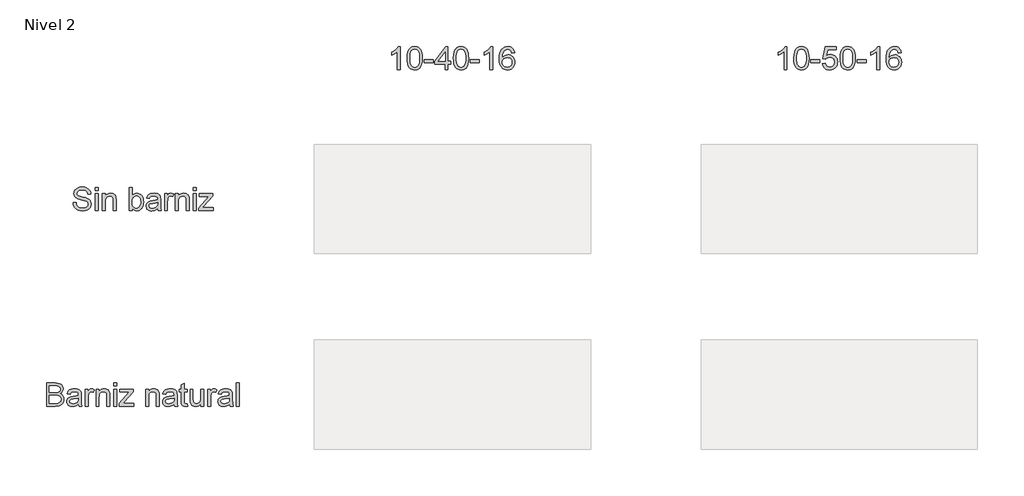
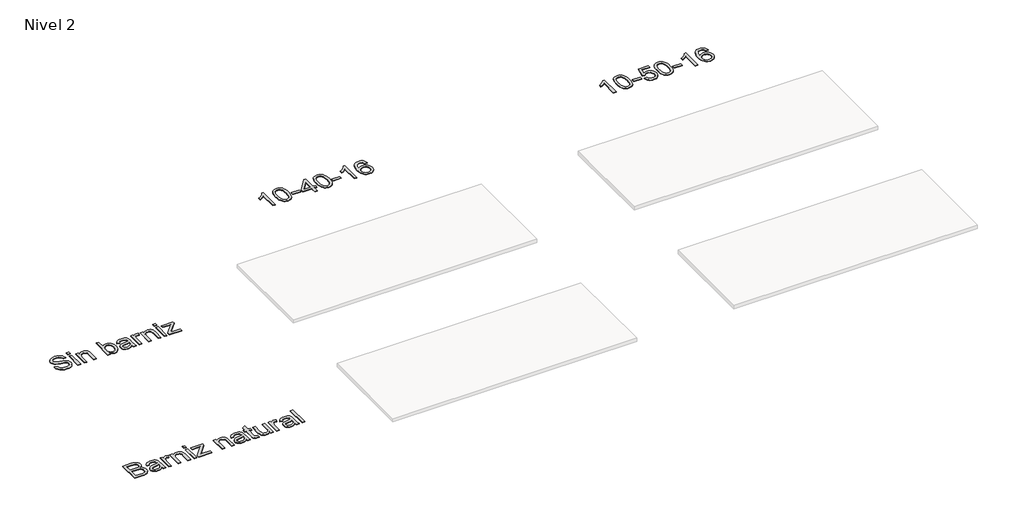
# One storey, part 48 of 51: 4 proxies.
"""IFC4 building model written with IfcOpenShell, lengths in millimetres."""

from ifc_helpers import new_model, si_unit, frame, origin, place, context, project, spatial, polyline, outline, extrude, element, save

model = new_model("IFC4")

# Units and contexts
model_context = context("Model", 3, world=origin())
ifc_project = project(units=[si_unit("LENGTHUNIT", "METRE", prefix="MILLI")], contexts=[model_context])

# Site, building, storey
site = spatial("IfcSite", under=ifc_project)
building = spatial("IfcBuilding", under=site)
storey = spatial("IfcBuildingStorey", under=building, Name="Nivel 2", Elevation=3000.0)

# Proxies
placement = place(None, origin())
element("IfcBuildingElementProxy", 1, Name="Texto de modelo 1", ObjectType="Texto de modelo 1", at=placement, inside=storey, context=model_context, shape_type="SweptSolid", body=[
    extrude(outline(polyline([(-14286.3795874, 4307.3448912), (-14236.1514323, 4307.3448912), (-14230.3879477, 4279.4716987), (-14219.9646245, 4257.0676852), (-14203.7042403, 4239.2867221), (-14180.4295728, 4225.2826808), (-14151.9800318, 4216.1959955), (-14120.1950274, 4213.1671005), (-14092.2114703, 4215.4602316), (-14067.7105294, 4222.3396249), (-14047.8571644, 4233.2289319), (-14033.8163349, 4247.5518043), (-14025.4654137, 4263.9961295), (-14022.6817732, 4281.249795), (-14024.7664379, 4298.0620022), (-14031.0204318, 4312.593341), (-14043.7246233, 4324.9909643), (-14065.1598809, 4335.4020247), (-14138.2948216, 4354.5809394), (-14186.3034219, 4367.2728682), (-14217.0215685, 4379.3516604), (-14242.0252815, 4396.2497067), (-14259.7449309, 4416.7284711), (-14270.3031442, 4440.3464952), (-14273.8225486, 4466.6623206), (-14269.4692783, 4496.0806175), (-14256.4094675, 4523.5123516), (-14234.9864726, 4546.7624937), (-14205.5436503, 4563.6360145), (-14170.2024533, 4573.8999222), (-14131.0843345, 4577.3212247), (-14088.7043286, 4573.7405067), (-14051.6218235, 4562.9983524), (-14021.1611943, 4545.3154912), (-13998.6468162, 4520.9126522), (-13984.3975203, 4491.3104143), (-13978.7321375, 4458.0293564), (-14028.9602926, 4458.0293564), (-14038.181868, 4487.9994763), (-14046.545052, 4499.8575393), (-14057.4098336, 4509.6309376), (-14087.4535298, 4522.7275367), (-14129.1222972, 4527.0930697), (-14171.7720831, 4522.7765876), (-14188.0753869, 4517.380985), (-14201.0309645, 4509.8271414), (-14217.9535363, 4490.770854), (-14223.5943935, 4468.1338486), (-14219.5967425, 4448.8323066), (-14207.6037895, 4433.3076864), (-14179.2523504, 4419.4262724), (-14125.59063, 4405.2505529), (-14070.212127, 4391.7860718), (-14036.71034, 4380.0383735), (-14008.076858, 4361.815952), (-13988.1008657, 4339.3260993), (-13976.36543, 4312.8140702), (-13972.4536181, 4282.5251193), (-13976.9540412, 4251.561718), (-13990.4553104, 4222.4377267), (-14012.4056028, 4197.3727001), (-14042.2530954, 4178.5861929), (-14078.1461154, 4166.8507573), (-14118.2329901, 4162.9389454), (-14167.4433383, 4167.1573256), (-14207.947146, 4179.8124662), (-14240.210397, 4200.9534182), (-14264.6990751, 4230.6292325), (-14280.419899, 4266.7797699), (-14286.3795874, 4307.3448912)])), frame((0.0, 0.0, 3000.0), z_axis=(0.0, 0.0, 1.0), x_axis=(1.0, 0.0, 0.0)), (0.0, 0.0, 1.0), 10.0),
    extrude(outline(polyline([(-13903.3899049, 4520.8145503), (-13903.3899049, 4571.0427054), (-13853.1617498, 4571.0427054), (-13853.1617498, 4520.8145503), (-13903.3899049, 4520.8145503)])), frame((0.0, 0.0, 3000.0), z_axis=(0.0, 0.0, 1.0), x_axis=(1.0, 0.0, 0.0)), (0.0, 0.0, 1.0), 10.0),
    extrude(outline(polyline([(-13903.3899049, 4169.2174648), (-13903.3899049, 4464.3078758), (-13853.1617498, 4464.3078758), (-13853.1617498, 4169.2174648), (-13903.3899049, 4169.2174648)])), frame((0.0, 0.0, 3000.0), z_axis=(0.0, 0.0, 1.0), x_axis=(1.0, 0.0, 0.0)), (0.0, 0.0, 1.0), 10.0),
    extrude(outline(polyline([(-13777.8195172, 4169.2174648), (-13777.8195172, 4464.3078758), (-13727.5913622, 4464.3078758), (-13727.5913622, 4423.1050924), (-13710.1414929, 4443.8781624), (-13689.1844819, 4458.7160695), (-13664.7203292, 4467.6188138), (-13636.7490348, 4470.5863952), (-13611.9905765, 4468.1951622), (-13589.3167829, 4461.0214633), (-13570.4076484, 4449.960478), (-13556.9431673, 4435.9073858), (-13547.8074311, 4418.8989749), (-13541.884531, 4398.9720335), (-13539.2357806, 4350.4116101), (-13539.2357806, 4169.2174648), (-13589.4639357, 4169.2174648), (-13589.4639357, 4343.6425814), (-13590.9109382, 4369.6150503), (-13595.2519458, 4388.0827264), (-13603.2595105, 4401.3142155), (-13615.7061847, 4411.5781232), (-13631.6600005, 4418.1632109), (-13650.1889904, 4420.3582401), (-13679.6072873, 4415.4286214), (-13704.6845766, 4400.6397652), (-13714.7062953, 4388.5671044), (-13721.8646658, 4372.0675969), (-13726.1596881, 4351.1412427), (-13727.5913622, 4325.7880419), (-13727.5913622, 4169.2174648), (-13777.8195172, 4169.2174648)])), frame((0.0, 0.0, 3000.0), z_axis=(0.0, 0.0, 1.0), x_axis=(1.0, 0.0, 0.0)), (0.0, 0.0, 1.0), 10.0),
    extrude(outline(polyline([(-13262.9809277, 4169.2174648), (-13313.2090828, 4169.2174648), (-13313.2090828, 4571.0427054), (-13262.9809277, 4571.0427054), (-13262.9809277, 4422.0259718), (-13246.4630261, 4443.2711571), (-13227.811409, 4458.4462894), (-13207.0260762, 4467.5513688), (-13184.107028, 4470.5863952), (-13158.232661, 4467.8518057), (-13133.780771, 4459.6480372), (-13112.1493097, 4446.4901245), (-13094.7362286, 4428.8931024), (-13081.0878066, 4407.0286492), (-13070.7503225, 4381.0684431), (-13064.2388112, 4352.0916046), (-13062.0683074, 4321.1772542), (-13064.3154533, 4285.5049634), (-13071.0568908, 4254.1246292), (-13082.2926201, 4227.0362517), (-13098.0226411, 4204.2398307), (-13116.9041845, 4186.1706934), (-13137.594481, 4173.2641667), (-13160.0935307, 4165.5202507), (-13184.4013335, 4162.9389454), (-13208.0745399, 4166.2682774), (-13229.0622078, 4176.2562736), (-13247.364337, 4192.9029339), (-13262.9809277, 4216.2082583), (-13262.9809277, 4169.2174648)]), holes=[polyline([(-13262.9809277, 4318.8228095), (-13259.5473624, 4276.933313), (-13249.2466666, 4248.5818739), (-13237.0759039, 4233.0879105), (-13222.9308412, 4222.0207938), (-13206.8114784, 4215.3805238), (-13188.7178156, 4213.1671005), (-13173.6959675, 4214.798044), (-13159.7287144, 4219.6908745), (-13146.8160564, 4227.8455921), (-13134.9579934, 4239.2621966), (-13125.0435736, 4253.9100314), (-13117.9618452, 4271.7584396), (-13113.7128082, 4292.807421), (-13112.2964625, 4317.0569759), (-13117.7288533, 4363.0176998), (-13124.5193418, 4380.8109257), (-13134.0260257, 4395.1460607), (-13145.4579587, 4406.1763892), (-13158.0241945, 4414.0551953), (-13171.7247331, 4418.7824789), (-13186.5595746, 4420.3582401), (-13201.5814227, 4418.7272966), (-13215.5486758, 4413.8344661), (-13228.4613338, 4405.6797485), (-13240.3193968, 4394.2631439), (-13250.2338166, 4379.762462), (-13257.315545, 4362.3555122), (-13261.564582, 4342.0422947), (-13262.9809277, 4318.8228095)])]), frame((0.0, 0.0, 3000.0), z_axis=(0.0, 0.0, 1.0), x_axis=(1.0, 0.0, 0.0)), (0.0, 0.0, 1.0), 10.0),
    extrude(outline(polyline([(-12817.2060514, 4206.8885811), (-12841.2042202, 4186.3117148), (-12865.9136276, 4172.8472338), (-12891.8983592, 4165.4160175), (-12919.7225008, 4162.9389454), (-12942.0866604, 4164.4288675), (-12961.6978364, 4168.8986337), (-12978.5560288, 4176.3482441), (-12992.6612377, 4186.7776987), (-13003.7988651, 4199.5248098), (-13011.7543132, 4213.9273899), (-13016.5275821, 4229.985439), (-13018.1186717, 4247.6989571), (-13015.715176, 4268.521078), (-13008.5046889, 4287.4302125), (-12997.3823899, 4303.6170203), (-12983.2434586, 4316.272161), (-12966.6274551, 4325.8370928), (-12948.0739398, 4332.7532744), (-12904.6148135, 4340.307118), (-12853.258487, 4348.2533691), (-12817.500357, 4357.5730463), (-12817.2060514, 4368.7566589), (-12820.6641422, 4391.1729352), (-12831.0384144, 4405.8391641), (-12854.2395056, 4416.7284711), (-12886.5640703, 4420.3582401), (-12916.4851392, 4417.9424817), (-12937.3808365, 4410.6952064), (-12951.6301325, 4397.292039), (-12961.6119973, 4376.4086044), (-13011.8401523, 4382.6871238), (-13003.1213491, 4410.1556461), (-12990.1105892, 4431.7380565), (-12971.5938621, 4448.2436954), (-12946.3571572, 4460.4819031), (-12915.4918578, 4468.0602722), (-12880.0893471, 4470.5863952), (-12846.133839, 4468.3545778), (-12819.2171397, 4461.6591255), (-12798.9223163, 4451.5914215), (-12784.8324359, 4439.2428492), (-12775.4882332, 4423.9757464), (-12769.430443, 4405.152451), (-12766.9778964, 4361.2028153), (-12766.9778964, 4298.7119271), (-12764.4272479, 4211.4503178), (-12754.4208576, 4169.2174648), (-12804.6490127, 4169.2174648), (-12812.6933656, 4186.6795968), (-12817.2060514, 4206.8885811)]), holes=[polyline([(-12817.2060514, 4307.3448912), (-12850.9530931, 4298.9817072), (-12898.2381922, 4291.9428984), (-12941.4520639, 4283.8004435), (-12952.6969903, 4278.2331627), (-12961.0233861, 4270.5566917), (-12966.173734, 4261.3596418), (-12967.8905167, 4251.2306242), (-12964.150383, 4236.2946152), (-12952.9299822, 4224.0564075), (-12934.4745688, 4215.8894272), (-12909.0293974, 4213.1671005), (-12882.0513844, 4216.1714701), (-12858.2126312, 4225.184579), (-12838.8865637, 4238.465119), (-12825.4466081, 4254.271782), (-12819.4869198, 4270.5566917), (-12817.500357, 4293.1201207), (-12817.2060514, 4307.3448912)])]), frame((0.0, 0.0, 3000.0), z_axis=(0.0, 0.0, 1.0), x_axis=(1.0, 0.0, 0.0)), (0.0, 0.0, 1.0), 10.0),
    extrude(outline(polyline([(-12697.9141831, 4169.2174648), (-12697.9141831, 4464.3078758), (-12653.9645474, 4464.3078758), (-12653.9645474, 4420.6525457), (-12637.7286887, 4445.962827), (-12622.7681542, 4460.8743105), (-12607.7585688, 4468.158374), (-12591.3755573, 4470.5863952), (-12566.3595816, 4466.7113715), (-12540.9511985, 4455.0863005), (-12557.7266175, 4410.0575443), (-12575.3849533, 4417.7830662), (-12593.043289, 4420.3582401), (-12608.0406117, 4417.881168), (-12621.4437791, 4410.4499517), (-12632.2717725, 4398.628677), (-12639.5435732, 4382.9814294), (-12645.6504143, 4354.9242959), (-12647.686028, 4324.3165139), (-12647.686028, 4169.2174648), (-12697.9141831, 4169.2174648)])), frame((0.0, 0.0, 3000.0), z_axis=(0.0, 0.0, 1.0), x_axis=(1.0, 0.0, 0.0)), (0.0, 0.0, 1.0), 10.0),
    extrude(outline(polyline([(-12509.5586016, 4169.2174648), (-12509.5586016, 4464.3078758), (-12459.3304465, 4464.3078758), (-12459.3304465, 4423.1050924), (-12441.8805772, 4443.8781624), (-12420.9235662, 4458.7160695), (-12396.4594135, 4467.6188138), (-12368.4881192, 4470.5863952), (-12343.7296609, 4468.1951622), (-12321.0558673, 4461.0214633), (-12302.1467327, 4449.960478), (-12288.6822517, 4435.9073858), (-12279.5465155, 4418.8989749), (-12273.6236154, 4398.9720335), (-12270.974865, 4350.4116101), (-12270.974865, 4169.2174648), (-12321.2030201, 4169.2174648), (-12321.2030201, 4343.6425814), (-12322.6500226, 4369.6150503), (-12326.9910301, 4388.0827264), (-12334.9985949, 4401.3142155), (-12347.4452691, 4411.5781232), (-12363.3990849, 4418.1632109), (-12381.9280747, 4420.3582401), (-12411.3463716, 4415.4286214), (-12436.423661, 4400.6397652), (-12446.4453796, 4388.5671044), (-12453.6037501, 4372.0675969), (-12457.8987724, 4351.1412427), (-12459.3304465, 4325.7880419), (-12459.3304465, 4169.2174648), (-12509.5586016, 4169.2174648)])), frame((0.0, 0.0, 3000.0), z_axis=(0.0, 0.0, 1.0), x_axis=(1.0, 0.0, 0.0)), (0.0, 0.0, 1.0), 10.0),
    extrude(outline(polyline([(-12201.9111518, 4520.8145503), (-12201.9111518, 4571.0427054), (-12151.6829967, 4571.0427054), (-12151.6829967, 4520.8145503), (-12201.9111518, 4520.8145503)])), frame((0.0, 0.0, 3000.0), z_axis=(0.0, 0.0, 1.0), x_axis=(1.0, 0.0, 0.0)), (0.0, 0.0, 1.0), 10.0),
    extrude(outline(polyline([(-12201.9111518, 4169.2174648), (-12201.9111518, 4464.3078758), (-12151.6829967, 4464.3078758), (-12151.6829967, 4169.2174648), (-12201.9111518, 4169.2174648)])), frame((0.0, 0.0, 3000.0), z_axis=(0.0, 0.0, 1.0), x_axis=(1.0, 0.0, 0.0)), (0.0, 0.0, 1.0), 10.0),
    extrude(outline(polyline([(-12107.733361, 4169.2174648), (-12107.733361, 4216.5025639), (-11934.3873649, 4414.0797208), (-11985.6946405, 4414.0797208), (-12095.1763222, 4414.0797208), (-12095.1763222, 4464.3078758), (-11862.871105, 4464.3078758), (-11862.871105, 4421.6335644), (-12016.5967281, 4246.325531), (-12040.1411757, 4219.4456198), (-11982.0648714, 4219.4456198), (-11856.5925856, 4219.4456198), (-11856.5925856, 4169.2174648), (-12107.733361, 4169.2174648)])), frame((0.0, 0.0, 3000.0), z_axis=(0.0, 0.0, 1.0), x_axis=(1.0, 0.0, 0.0)), (0.0, 0.0, 1.0), 10.0),
])
element("IfcBuildingElementProxy", 2, Name="Texto de modelo 1", ObjectType="Texto de modelo 1", at=placement, inside=storey, context=model_context, shape_type="SweptSolid", body=[
    extrude(outline(polyline([(-14747.8507621, 769.2174648), (-14747.8507621, 1171.0427054), (-14594.5175465, 1171.0427054), (-14552.3460071, 1168.0873867), (-14519.4205686, 1159.2214306), (-14494.1838637, 1144.2241079), (-14475.0785254, 1122.8746895), (-14463.0487842, 1097.7606119), (-14459.0388704, 1071.469312), (-14462.4111221, 1047.2749395), (-14472.5278769, 1024.5275694), (-14489.4627114, 1004.6251535), (-14513.289202, 988.9656432), (-14484.8273983, 974.1032106), (-14463.7968109, 951.4907306), (-14450.8105765, 922.6242568), (-14446.4818317, 888.9998424), (-14449.4371504, 860.9794971), (-14458.3031064, 834.9947655), (-14471.5345955, 812.8973203), (-14487.5865133, 796.5388343), (-14507.2436745, 784.693034), (-14531.2908943, 776.1336463), (-14560.5129874, 770.9465101), (-14595.6947689, 769.2174648), (-14747.8507621, 769.2174648)]), holes=[polyline([(-14697.622607, 1007.8012014), (-14605.8973629, 1007.8012014), (-14552.3337444, 1012.1176834), (-14533.5840254, 1019.5611625), (-14520.1072816, 1030.7079869), (-14511.9770895, 1045.3864785), (-14509.2670255, 1063.424959), (-14511.7931485, 1080.936142), (-14519.3715176, 1096.1909821), (-14531.6587763, 1108.098096), (-14548.3115679, 1115.5661005), (-14573.8671039, 1119.5024378), (-14612.8625954, 1120.8145503), (-14697.622607, 1120.8145503), (-14697.622607, 1007.8012014)]), polyline([(-14697.622607, 819.4456198), (-14594.6156484, 819.4456198), (-14557.3369395, 821.4076571), (-14525.7971898, 832.3460151), (-14514.2211697, 841.7760569), (-14504.9014925, 854.6641895), (-14498.7578632, 870.4340644), (-14496.7099867, 888.5093331), (-14499.1134824, 909.5031323), (-14506.3239695, 927.5538755), (-14518.9177965, 941.6682814), (-14537.4713118, 950.8530685), (-14563.750349, 955.8930518), (-14599.5207417, 957.5730463), (-14697.622607, 957.5730463), (-14697.622607, 819.4456198)])]), frame((0.0, 0.0, 3000.0), z_axis=(0.0, 0.0, 1.0), x_axis=(1.0, 0.0, 0.0)), (0.0, 0.0, 1.0), 10.0),
    extrude(outline(polyline([(-14195.3410563, 806.8885811), (-14219.3392251, 786.3117148), (-14244.0486325, 772.8472338), (-14270.033364, 765.4160175), (-14297.8575056, 762.9389454), (-14320.2216652, 764.4288675), (-14339.8328413, 768.8986337), (-14356.6910337, 776.3482441), (-14370.7962425, 786.7776987), (-14381.9338699, 799.5248098), (-14389.8893181, 813.9273899), (-14394.662587, 829.985439), (-14396.2536766, 847.6989571), (-14393.8501809, 868.521078), (-14386.6396938, 887.4302125), (-14375.5173948, 903.6170203), (-14361.3784634, 916.272161), (-14344.76246, 925.8370928), (-14326.2089447, 932.7532744), (-14282.7498183, 940.307118), (-14231.3934918, 948.2533691), (-14195.6353619, 957.5730463), (-14195.3410563, 968.7566589), (-14198.799147, 991.1729352), (-14209.1734193, 1005.8391641), (-14232.3745105, 1016.7284711), (-14264.6990751, 1020.3582401), (-14294.6201441, 1017.9424817), (-14315.5158414, 1010.6952064), (-14329.7651373, 997.292039), (-14339.7470021, 976.4086044), (-14389.9751572, 982.6871238), (-14381.2563539, 1010.1556461), (-14368.245594, 1031.7380565), (-14349.7288669, 1048.2436954), (-14324.4921621, 1060.4819031), (-14293.6268627, 1068.0602722), (-14258.224352, 1070.5863952), (-14224.2688438, 1068.3545778), (-14197.3521445, 1061.6591255), (-14177.0573211, 1051.5914215), (-14162.9674407, 1039.2428492), (-14153.623238, 1023.9757464), (-14147.5654479, 1005.152451), (-14145.1129012, 961.2028153), (-14145.1129012, 898.7119271), (-14142.5622527, 811.4503178), (-14132.5558624, 769.2174648), (-14182.7840175, 769.2174648), (-14190.8283705, 786.6795968), (-14195.3410563, 806.8885811)]), holes=[polyline([(-14195.3410563, 907.3448912), (-14229.088098, 898.9817072), (-14276.3731971, 891.9428984), (-14319.5870688, 883.8004435), (-14330.8319951, 878.2331627), (-14339.1583909, 870.5566917), (-14344.3087389, 861.3596418), (-14346.0255215, 851.2306242), (-14342.2853879, 836.2946152), (-14331.064987, 824.0564075), (-14312.6095736, 815.8894272), (-14287.1644023, 813.1671005), (-14260.1863893, 816.1714701), (-14236.347636, 825.184579), (-14217.0215685, 838.465119), (-14203.581613, 854.271782), (-14197.6219247, 870.5566917), (-14195.6353619, 893.1201207), (-14195.3410563, 907.3448912)])]), frame((0.0, 0.0, 3000.0), z_axis=(0.0, 0.0, 1.0), x_axis=(1.0, 0.0, 0.0)), (0.0, 0.0, 1.0), 10.0),
    extrude(outline(polyline([(-14076.049188, 769.2174648), (-14076.049188, 1064.3078758), (-14032.0995523, 1064.3078758), (-14032.0995523, 1020.6525457), (-14015.8636936, 1045.962827), (-14000.9031591, 1060.8743105), (-13985.8935737, 1068.158374), (-13969.5105622, 1070.5863952), (-13944.4945865, 1066.7113715), (-13919.0862034, 1055.0863005), (-13935.8616224, 1010.0575443), (-13953.5199581, 1017.7830662), (-13971.1782939, 1020.3582401), (-13986.1756166, 1017.881168), (-13999.5787839, 1010.4499517), (-14010.4067773, 998.628677), (-14017.6785781, 982.9814294), (-14023.7854192, 954.9242959), (-14025.8210329, 924.3165139), (-14025.8210329, 769.2174648), (-14076.049188, 769.2174648)])), frame((0.0, 0.0, 3000.0), z_axis=(0.0, 0.0, 1.0), x_axis=(1.0, 0.0, 0.0)), (0.0, 0.0, 1.0), 10.0),
    extrude(outline(polyline([(-13887.6936065, 769.2174648), (-13887.6936065, 1064.3078758), (-13837.4654514, 1064.3078758), (-13837.4654514, 1023.1050924), (-13820.0155821, 1043.8781624), (-13799.0585711, 1058.7160695), (-13774.5944184, 1067.6188138), (-13746.623124, 1070.5863952), (-13721.8646658, 1068.1951622), (-13699.1908721, 1061.0214633), (-13680.2817376, 1049.960478), (-13666.8172566, 1035.9073858), (-13657.6815203, 1018.8989749), (-13651.7586202, 998.9720335), (-13649.1098699, 950.4116101), (-13649.1098699, 769.2174648), (-13699.3380249, 769.2174648), (-13699.3380249, 943.6425814), (-13700.7850274, 969.6150503), (-13705.126035, 988.0827264), (-13713.1335997, 1001.3142155), (-13725.5802739, 1011.5781232), (-13741.5340898, 1018.1632109), (-13760.0630796, 1020.3582401), (-13789.4813765, 1015.4286214), (-13814.5586658, 1000.6397652), (-13824.5803845, 988.5671044), (-13831.738755, 972.0675969), (-13836.0337773, 951.1412427), (-13837.4654514, 925.7880419), (-13837.4654514, 769.2174648), (-13887.6936065, 769.2174648)])), frame((0.0, 0.0, 3000.0), z_axis=(0.0, 0.0, 1.0), x_axis=(1.0, 0.0, 0.0)), (0.0, 0.0, 1.0), 10.0),
    extrude(outline(polyline([(-13580.0461566, 1120.8145503), (-13580.0461566, 1171.0427054), (-13529.8180016, 1171.0427054), (-13529.8180016, 1120.8145503), (-13580.0461566, 1120.8145503)])), frame((0.0, 0.0, 3000.0), z_axis=(0.0, 0.0, 1.0), x_axis=(1.0, 0.0, 0.0)), (0.0, 0.0, 1.0), 10.0),
    extrude(outline(polyline([(-13580.0461566, 769.2174648), (-13580.0461566, 1064.3078758), (-13529.8180016, 1064.3078758), (-13529.8180016, 769.2174648), (-13580.0461566, 769.2174648)])), frame((0.0, 0.0, 3000.0), z_axis=(0.0, 0.0, 1.0), x_axis=(1.0, 0.0, 0.0)), (0.0, 0.0, 1.0), 10.0),
    extrude(outline(polyline([(-13485.8683659, 769.2174648), (-13485.8683659, 816.5025639), (-13312.5223697, 1014.0797208), (-13363.8296453, 1014.0797208), (-13473.3113271, 1014.0797208), (-13473.3113271, 1064.3078758), (-13241.0061099, 1064.3078758), (-13241.0061099, 1021.6335644), (-13394.7317329, 846.325531), (-13418.2761806, 819.4456198), (-13360.1998763, 819.4456198), (-13234.7275905, 819.4456198), (-13234.7275905, 769.2174648), (-13485.8683659, 769.2174648)])), frame((0.0, 0.0, 3000.0), z_axis=(0.0, 0.0, 1.0), x_axis=(1.0, 0.0, 0.0)), (0.0, 0.0, 1.0), 10.0),
    extrude(outline(polyline([(-13027.5364508, 769.2174648), (-13027.5364508, 1064.3078758), (-12977.3082957, 1064.3078758), (-12977.3082957, 1023.1050924), (-12959.8584264, 1043.8781624), (-12938.9014154, 1058.7160695), (-12914.4372628, 1067.6188138), (-12886.4659684, 1070.5863952), (-12861.7075101, 1068.1951622), (-12839.0337165, 1061.0214633), (-12820.1245819, 1049.960478), (-12806.6601009, 1035.9073858), (-12797.5243647, 1018.8989749), (-12791.6014646, 998.9720335), (-12788.9527142, 950.4116101), (-12788.9527142, 769.2174648), (-12839.1808693, 769.2174648), (-12839.1808693, 943.6425814), (-12840.6278718, 969.6150503), (-12844.9688793, 988.0827264), (-12852.9764441, 1001.3142155), (-12865.4231183, 1011.5781232), (-12881.3769341, 1018.1632109), (-12899.9059239, 1020.3582401), (-12929.3242208, 1015.4286214), (-12954.4015102, 1000.6397652), (-12964.4232288, 988.5671044), (-12971.5815993, 972.0675969), (-12975.8766216, 951.1412427), (-12977.3082957, 925.7880419), (-12977.3082957, 769.2174648), (-13027.5364508, 769.2174648)])), frame((0.0, 0.0, 3000.0), z_axis=(0.0, 0.0, 1.0), x_axis=(1.0, 0.0, 0.0)), (0.0, 0.0, 1.0), 10.0),
    extrude(outline(polyline([(-12531.5334194, 806.8885811), (-12555.5315883, 786.3117148), (-12580.2409956, 772.8472338), (-12606.2257272, 765.4160175), (-12634.0498688, 762.9389454), (-12656.4140284, 764.4288675), (-12676.0252044, 768.8986337), (-12692.8833968, 776.3482441), (-12706.9886057, 786.7776987), (-12718.1262331, 799.5248098), (-12726.0816812, 813.9273899), (-12730.8549501, 829.985439), (-12732.4460397, 847.6989571), (-12730.042544, 868.521078), (-12722.8320569, 887.4302125), (-12711.7097579, 903.6170203), (-12697.5708266, 916.272161), (-12680.9548231, 925.8370928), (-12662.4013079, 932.7532744), (-12618.9421815, 940.307118), (-12567.585855, 948.2533691), (-12531.827725, 957.5730463), (-12531.5334194, 968.7566589), (-12534.9915102, 991.1729352), (-12545.3657825, 1005.8391641), (-12568.5668736, 1016.7284711), (-12600.8914383, 1020.3582401), (-12630.8125072, 1017.9424817), (-12651.7082045, 1010.6952064), (-12665.9575005, 997.292039), (-12675.9393653, 976.4086044), (-12726.1675204, 982.6871238), (-12717.4487171, 1010.1556461), (-12704.4379572, 1031.7380565), (-12685.9212301, 1048.2436954), (-12660.6845252, 1060.4819031), (-12629.8192258, 1068.0602722), (-12594.4167151, 1070.5863952), (-12560.461207, 1068.3545778), (-12533.5445077, 1061.6591255), (-12513.2496843, 1051.5914215), (-12499.1598039, 1039.2428492), (-12489.8156012, 1023.9757464), (-12483.757811, 1005.152451), (-12481.3052644, 961.2028153), (-12481.3052644, 898.7119271), (-12478.7546159, 811.4503178), (-12468.7482256, 769.2174648), (-12518.9763807, 769.2174648), (-12527.0207336, 786.6795968), (-12531.5334194, 806.8885811)]), holes=[polyline([(-12531.5334194, 907.3448912), (-12565.2804611, 898.9817072), (-12612.5655602, 891.9428984), (-12655.7794319, 883.8004435), (-12667.0243583, 878.2331627), (-12675.3507541, 870.5566917), (-12680.501102, 861.3596418), (-12682.2178847, 851.2306242), (-12678.477751, 836.2946152), (-12667.2573502, 824.0564075), (-12648.8019368, 815.8894272), (-12623.3567654, 813.1671005), (-12596.3787525, 816.1714701), (-12572.5399992, 825.184579), (-12553.2139317, 838.465119), (-12539.7739761, 854.271782), (-12533.8142878, 870.5566917), (-12531.827725, 893.1201207), (-12531.5334194, 907.3448912)])]), frame((0.0, 0.0, 3000.0), z_axis=(0.0, 0.0, 1.0), x_axis=(1.0, 0.0, 0.0)), (0.0, 0.0, 1.0), 10.0),
    extrude(outline(polyline([(-12305.5067216, 811.1069613), (-12299.2282022, 767.7459368), (-12336.8012167, 762.9389454), (-12360.9097501, 765.02361), (-12378.8869169, 771.2776039), (-12391.5911085, 780.9161122), (-12399.8807161, 793.1543199), (-12404.4424528, 814.1726446), (-12405.9630318, 850.1515037), (-12405.9630318, 1014.0797208), (-12443.6341481, 1014.0797208), (-12443.6341481, 1064.3078758), (-12405.9630318, 1064.3078758), (-12405.9630318, 1136.0203394), (-12355.7348767, 1165.5490009), (-12355.7348767, 1064.3078758), (-12305.5067216, 1064.3078758), (-12305.5067216, 1014.0797208), (-12355.7348767, 1014.0797208), (-12355.7348767, 851.6230317), (-12353.0861263, 825.7241392), (-12344.5022131, 816.5516148), (-12327.3834376, 813.1671005), (-12305.5067216, 811.1069613)])), frame((0.0, 0.0, 3000.0), z_axis=(0.0, 0.0, 1.0), x_axis=(1.0, 0.0, 0.0)), (0.0, 0.0, 1.0), 10.0),
    extrude(outline(polyline([(-12066.922985, 769.2174648), (-12066.922985, 819.9361292), (-12085.0963556, 794.9998613), (-12106.261833, 777.1882413), (-12130.4194174, 766.5012694), (-12157.5691086, 762.9389454), (-12182.0332613, 765.4405429), (-12204.8051568, 772.9453356), (-12223.9104951, 784.2270502), (-12237.3749761, 798.0594132), (-12246.4371359, 814.8593576), (-12252.3355106, 835.0438164), (-12255.2785665, 881.7403044), (-12255.2785665, 1064.3078758), (-12205.0504115, 1064.3078758), (-12205.0504115, 905.3828539), (-12202.0092536, 854.1736802), (-12194.6884019, 837.0916929), (-12182.1436259, 824.1054584), (-12165.2087914, 815.90169), (-12144.7177642, 813.1671005), (-12123.0495147, 815.9630036), (-12102.7792168, 824.3507131), (-12086.0651115, 837.5576767), (-12075.0654398, 854.8113423), (-12068.9585987, 878.4416291), (-12066.922985, 910.7784565), (-12066.922985, 1064.3078758), (-12016.6948299, 1064.3078758), (-12016.6948299, 769.2174648), (-12066.922985, 769.2174648)])), frame((0.0, 0.0, 3000.0), z_axis=(0.0, 0.0, 1.0), x_axis=(1.0, 0.0, 0.0)), (0.0, 0.0, 1.0), 10.0),
    extrude(outline(polyline([(-11947.6311167, 769.2174648), (-11947.6311167, 1064.3078758), (-11903.681481, 1064.3078758), (-11903.681481, 1020.6525457), (-11887.4456223, 1045.962827), (-11872.4850878, 1060.8743105), (-11857.4755024, 1068.158374), (-11841.0924909, 1070.5863952), (-11816.0765152, 1066.7113715), (-11790.6681321, 1055.0863005), (-11807.4435511, 1010.0575443), (-11825.1018868, 1017.7830662), (-11842.7602226, 1020.3582401), (-11857.7575453, 1017.881168), (-11871.1607126, 1010.4499517), (-11881.988706, 998.628677), (-11889.2605068, 982.9814294), (-11895.3673479, 954.9242959), (-11897.4029616, 924.3165139), (-11897.4029616, 769.2174648), (-11947.6311167, 769.2174648)])), frame((0.0, 0.0, 3000.0), z_axis=(0.0, 0.0, 1.0), x_axis=(1.0, 0.0, 0.0)), (0.0, 0.0, 1.0), 10.0),
    extrude(outline(polyline([(-11570.9199536, 806.8885811), (-11594.9181225, 786.3117148), (-11619.6275298, 772.8472338), (-11645.6122614, 765.4160175), (-11673.436403, 762.9389454), (-11695.8005626, 764.4288675), (-11715.4117386, 768.8986337), (-11732.269931, 776.3482441), (-11746.3751399, 786.7776987), (-11757.5127673, 799.5248098), (-11765.4682154, 813.9273899), (-11770.2414843, 829.985439), (-11771.8325739, 847.6989571), (-11769.4290782, 868.521078), (-11762.2185911, 887.4302125), (-11751.0962921, 903.6170203), (-11736.9573608, 916.272161), (-11720.3413573, 925.8370928), (-11701.7878421, 932.7532744), (-11658.3287157, 940.307118), (-11606.9723892, 948.2533691), (-11571.2142592, 957.5730463), (-11570.9199536, 968.7566589), (-11574.3780444, 991.1729352), (-11584.7523167, 1005.8391641), (-11607.9534078, 1016.7284711), (-11640.2779725, 1020.3582401), (-11670.1990414, 1017.9424817), (-11691.0947387, 1010.6952064), (-11705.3440347, 997.292039), (-11715.3258995, 976.4086044), (-11765.5540545, 982.6871238), (-11756.8352513, 1010.1556461), (-11743.8244914, 1031.7380565), (-11725.3077643, 1048.2436954), (-11700.0710594, 1060.4819031), (-11669.20576, 1068.0602722), (-11633.8032493, 1070.5863952), (-11599.8477412, 1068.3545778), (-11572.9310419, 1061.6591255), (-11552.6362185, 1051.5914215), (-11538.5463381, 1039.2428492), (-11529.2021354, 1023.9757464), (-11523.1443452, 1005.152451), (-11520.6917986, 961.2028153), (-11520.6917986, 898.7119271), (-11518.1411501, 811.4503178), (-11508.1347598, 769.2174648), (-11558.3629149, 769.2174648), (-11566.4072678, 786.6795968), (-11570.9199536, 806.8885811)]), holes=[polyline([(-11570.9199536, 907.3448912), (-11604.6669953, 898.9817072), (-11651.9520944, 891.9428984), (-11695.1659661, 883.8004435), (-11706.4108925, 878.2331627), (-11714.7372883, 870.5566917), (-11719.8876362, 861.3596418), (-11721.6044189, 851.2306242), (-11717.8642852, 836.2946152), (-11706.6438844, 824.0564075), (-11688.188471, 815.8894272), (-11662.7432996, 813.1671005), (-11635.7652867, 816.1714701), (-11611.9265334, 825.184579), (-11592.6004659, 838.465119), (-11579.1605103, 854.271782), (-11573.200822, 870.5566917), (-11571.2142592, 893.1201207), (-11570.9199536, 907.3448912)])]), frame((0.0, 0.0, 3000.0), z_axis=(0.0, 0.0, 1.0), x_axis=(1.0, 0.0, 0.0)), (0.0, 0.0, 1.0), 10.0),
    extrude(outline(polyline([(-11451.6280853, 769.2174648), (-11451.6280853, 1171.0427054), (-11401.3999303, 1171.0427054), (-11401.3999303, 769.2174648), (-11451.6280853, 769.2174648)])), frame((0.0, 0.0, 3000.0), z_axis=(0.0, 0.0, 1.0), x_axis=(1.0, 0.0, 0.0)), (0.0, 0.0, 1.0), 10.0),
])
element("IfcBuildingElementProxy", 3, Name="Texto de modelo 1", ObjectType="Texto de modelo 1", at=placement, inside=storey, context=model_context, shape_type="SweptSolid", body=[
    extrude(outline(polyline([(-8605.2655998, 6619.2174648), (-8655.4937549, 6619.2174648), (-8655.4937549, 6932.3586191), (-8676.4630286, 6915.3992591), (-8703.0731596, 6898.4644246), (-8755.950065, 6873.1050924), (-8755.950065, 6920.5863952), (-8716.5008524, 6942.0461783), (-8682.3246151, 6967.5771887), (-8655.3833903, 6994.72688), (-8637.6392154, 7021.0427054), (-8605.2655998, 7021.0427054), (-8605.2655998, 6619.2174648)])), frame((0.0, 0.0, 3000.0), z_axis=(0.0, 0.0, 1.0), x_axis=(1.0, 0.0, 0.0)), (0.0, 0.0, 1.0), 10.0),
    extrude(outline(polyline([(-8485.9737315, 6816.8927235), (-8482.2826488, 6881.210759), (-8471.2094008, 6932.5057719), (-8452.8643519, 6971.562577), (-8441.006289, 6986.7959573), (-8427.357867, 6999.1659894), (-8411.8731006, 7008.7370526), (-8394.5060048, 7015.5735264), (-8354.1248244, 7021.0427054), (-8323.1736859, 7017.8053438), (-8295.4599089, 7008.0932591), (-8272.2833433, 6992.2865961), (-8254.9438385, 6970.7654994), (-8241.8472395, 6943.71391), (-8231.3993909, 6911.3157689), (-8224.5567857, 6870.1742991), (-8222.2759174, 6816.8927235), (-8225.9302119, 6752.94257), (-8236.8930953, 6701.7701845), (-8255.1277795, 6662.6765911), (-8266.9582514, 6647.3972256), (-8280.5974763, 6634.9628142), (-8296.1006368, 6625.3273716), (-8313.5229149, 6618.4449126), (-8354.1248244, 6612.9389454), (-8381.7895505, 6615.3301783), (-8406.3150168, 6622.5038773), (-8427.7012235, 6634.4600421), (-8445.9481704, 6651.1986729), (-8463.4593534, 6681.456967), (-8475.9673412, 6719.1587401), (-8483.4721339, 6764.3039923), (-8485.9737315, 6816.8927235)]), holes=[polyline([(-8435.7455764, 6816.9908254), (-8434.2740485, 6773.3262982), (-8429.8594645, 6737.9820355), (-8422.5018246, 6710.9580373), (-8412.2011287, 6692.2543035), (-8399.7421918, 6679.5286522), (-8385.9098288, 6670.4389012), (-8370.7040397, 6664.9850506), (-8354.1248244, 6663.1671005), (-8337.5456092, 6664.991182), (-8322.3398201, 6670.4634267), (-8308.507457, 6679.5838345), (-8296.0485201, 6692.3524054), (-8285.7478243, 6711.086796), (-8278.3901844, 6738.1046629), (-8273.9756004, 6773.406006), (-8272.5040724, 6816.9908254), (-8273.9265495, 6859.4995899), (-8278.1939806, 6894.2215189), (-8285.3063659, 6921.1566123), (-8295.2637052, 6940.3048702), (-8307.5141757, 6953.6528552), (-8321.5059542, 6963.1871303), (-8337.2390409, 6968.9076953), (-8354.7134356, 6970.8145503), (-8371.2068118, 6969.1345558), (-8386.1550835, 6964.0945725), (-8399.5582508, 6955.6946003), (-8411.4163138, 6943.9346392), (-8422.0603662, 6923.0879928), (-8429.6632608, 6894.9818083), (-8434.2249975, 6859.6160859), (-8435.7455764, 6816.9908254)])]), frame((0.0, 0.0, 3000.0), z_axis=(0.0, 0.0, 1.0), x_axis=(1.0, 0.0, 0.0)), (0.0, 0.0, 1.0), 10.0),
    extrude(outline(polyline([(-8190.8833205, 6738.5093331), (-8190.8833205, 6788.7374881), (-8033.9203358, 6788.7374881), (-8033.9203358, 6738.5093331), (-8190.8833205, 6738.5093331)])), frame((0.0, 0.0, 3000.0), z_axis=(0.0, 0.0, 1.0), x_axis=(1.0, 0.0, 0.0)), (0.0, 0.0, 1.0), 10.0),
    extrude(outline(polyline([(-7826.7291962, 6619.2174648), (-7826.7291962, 6713.3952555), (-8008.8062583, 6713.3952555), (-8008.8062583, 6763.6234106), (-7814.1721574, 7014.764186), (-7776.5010411, 7014.764186), (-7776.5010411, 6763.6234106), (-7726.272886, 6763.6234106), (-7726.272886, 6713.3952555), (-7776.5010411, 6713.3952555), (-7776.5010411, 6619.2174648), (-7826.7291962, 6619.2174648)]), holes=[polyline([(-7826.7291962, 6763.6234106), (-7826.7291962, 6918.8205616), (-7947.0020831, 6763.6234106), (-7826.7291962, 6763.6234106)])]), frame((0.0, 0.0, 3000.0), z_axis=(0.0, 0.0, 1.0), x_axis=(1.0, 0.0, 0.0)), (0.0, 0.0, 1.0), 10.0),
    extrude(outline(polyline([(-7682.3232503, 6816.8927235), (-7678.6321676, 6881.210759), (-7667.5589196, 6932.5057719), (-7649.2138708, 6971.562577), (-7637.3558078, 6986.7959573), (-7623.7073858, 6999.1659894), (-7608.2226194, 7008.7370526), (-7590.8555236, 7015.5735264), (-7550.4743432, 7021.0427054), (-7519.5232047, 7017.8053438), (-7491.8094277, 7008.0932591), (-7468.6328621, 6992.2865961), (-7451.2933573, 6970.7654994), (-7438.1967583, 6943.71391), (-7427.7489097, 6911.3157689), (-7420.9063045, 6870.1742991), (-7418.6254362, 6816.8927235), (-7422.2797307, 6752.94257), (-7433.2426141, 6701.7701845), (-7451.4772983, 6662.6765911), (-7463.3077702, 6647.3972256), (-7476.9469951, 6634.9628142), (-7492.4501556, 6625.3273716), (-7509.8724337, 6618.4449126), (-7550.4743432, 6612.9389454), (-7578.1390693, 6615.3301783), (-7602.6645356, 6622.5038773), (-7624.0507423, 6634.4600421), (-7642.2976892, 6651.1986729), (-7659.8088722, 6681.456967), (-7672.31686, 6719.1587401), (-7679.8216528, 6764.3039923), (-7682.3232503, 6816.8927235)]), holes=[polyline([(-7632.0950952, 6816.9908254), (-7630.6235673, 6773.3262982), (-7626.2089833, 6737.9820355), (-7618.8513434, 6710.9580373), (-7608.5506476, 6692.2543035), (-7596.0917106, 6679.5286522), (-7582.2593476, 6670.4389012), (-7567.0535585, 6664.9850506), (-7550.4743432, 6663.1671005), (-7533.895128, 6664.991182), (-7518.6893389, 6670.4634267), (-7504.8569758, 6679.5838345), (-7492.3980389, 6692.3524054), (-7482.0973431, 6711.086796), (-7474.7397032, 6738.1046629), (-7470.3251192, 6773.406006), (-7468.8535913, 6816.9908254), (-7470.2760683, 6859.4995899), (-7474.5434994, 6894.2215189), (-7481.6558847, 6921.1566123), (-7491.613224, 6940.3048702), (-7503.8636945, 6953.6528552), (-7517.855473, 6963.1871303), (-7533.5885597, 6968.9076953), (-7551.0629544, 6970.8145503), (-7567.5563306, 6969.1345558), (-7582.5046023, 6964.0945725), (-7595.9077697, 6955.6946003), (-7607.7658326, 6943.9346392), (-7618.409885, 6923.0879928), (-7626.0127796, 6894.9818083), (-7630.5745163, 6859.6160859), (-7632.0950952, 6816.9908254)])]), frame((0.0, 0.0, 3000.0), z_axis=(0.0, 0.0, 1.0), x_axis=(1.0, 0.0, 0.0)), (0.0, 0.0, 1.0), 10.0),
    extrude(outline(polyline([(-7387.2328393, 6738.5093331), (-7387.2328393, 6788.7374881), (-7230.2698546, 6788.7374881), (-7230.2698546, 6738.5093331), (-7387.2328393, 6738.5093331)])), frame((0.0, 0.0, 3000.0), z_axis=(0.0, 0.0, 1.0), x_axis=(1.0, 0.0, 0.0)), (0.0, 0.0, 1.0), 10.0),
    extrude(outline(polyline([(-6997.9646374, 6619.2174648), (-7048.1927925, 6619.2174648), (-7048.1927925, 6932.3586191), (-7069.1620662, 6915.3992591), (-7095.7721972, 6898.4644246), (-7148.6491026, 6873.1050924), (-7148.6491026, 6920.5863952), (-7109.19989, 6942.0461783), (-7075.0236527, 6967.5771887), (-7048.0824279, 6994.72688), (-7030.338253, 7021.0427054), (-6997.9646374, 7021.0427054), (-6997.9646374, 6619.2174648)])), frame((0.0, 0.0, 3000.0), z_axis=(0.0, 0.0, 1.0), x_axis=(1.0, 0.0, 0.0)), (0.0, 0.0, 1.0), 10.0),
    extrude(outline(polyline([(-6621.2534744, 6914.3078758), (-6671.4816294, 6908.0293564), (-6679.5750333, 6932.9227048), (-6690.5133913, 6949.918853), (-6713.2975496, 6965.590626), (-6740.8396483, 6970.8145503), (-6764.1878922, 6967.7733925), (-6786.1627101, 6958.649919), (-6805.0350564, 6939.4342161), (-6820.449312, 6912.9835006), (-6830.8603725, 6875.5699017), (-6834.7231334, 6823.4655485), (-6814.5754628, 6846.973208), (-6790.4301412, 6863.5401605), (-6763.6360692, 6873.3626098), (-6735.5421475, 6876.6367595), (-6711.4090886, 6874.3988107), (-6689.1399652, 6867.6849643), (-6668.7347772, 6856.4952203), (-6650.1935247, 6840.8295787), (-6634.7854004, 6821.6200071), (-6623.7795974, 6799.7984735), (-6617.1761156, 6775.3649776), (-6614.974955, 6748.3195196), (-6619.1197588, 6712.3529232), (-6631.5541702, 6679.0105517), (-6651.2481197, 6650.732689), (-6677.1715376, 6629.959619), (-6708.1472016, 6617.1941138), (-6742.9978893, 6612.9389454), (-6772.940418, 6615.759374), (-6799.9828104, 6624.2206599), (-6824.1250663, 6638.322803), (-6845.3671858, 6658.0658035), (-6862.6852307, 6684.283527), (-6875.0552628, 6717.8098395), (-6882.4772821, 6758.6447409), (-6884.9512885, 6806.7882314), (-6882.2044363, 6860.7626514), (-6873.9638796, 6906.8276086), (-6860.2296184, 6944.9831029), (-6841.0016528, 6975.2291342), (-6820.1611378, 6995.2725716), (-6795.9974221, 7009.5893126), (-6768.5105057, 7018.1793572), (-6737.7003886, 7021.0427054), (-6714.5667424, 7019.2707404), (-6693.6281255, 7013.9548456), (-6674.8845379, 7005.0950209), (-6658.3359795, 6992.6912663), (-6644.4300401, 6977.1605147), (-6633.6143094, 6958.9196991), (-6625.8887875, 6937.9688195), (-6621.2534744, 6914.3078758)]), holes=[polyline([(-6834.7231334, 6749.1043345), (-6831.8168657, 6726.8474738), (-6823.0980624, 6705.5961572), (-6809.560005, 6687.3246848), (-6792.1959748, 6674.0073566), (-6771.2389638, 6665.8771645), (-6746.9219639, 6663.1671005), (-6713.7757962, 6668.7834322), (-6699.8606597, 6675.803847), (-6687.7174882, 6685.6324276), (-6677.8674477, 6697.8706353), (-6670.8317046, 6712.1199313), (-6665.2031101, 6746.6517879), (-6670.7581282, 6779.7979557), (-6677.7019008, 6793.4187865), (-6687.4231826, 6805.0714487), (-6699.6031423, 6814.4064544), (-6713.9229489, 6821.0743155), (-6748.9821031, 6826.4086044), (-6782.0792199, 6821.0743155), (-6809.7562087, 6805.0714487), (-6820.6792383, 6793.5720707), (-6828.4814022, 6780.4110923), (-6833.1627006, 6765.5885136), (-6834.7231334, 6749.1043345)])]), frame((0.0, 0.0, 3000.0), z_axis=(0.0, 0.0, 1.0), x_axis=(1.0, 0.0, 0.0)), (0.0, 0.0, 1.0), 10.0),
])
element("IfcBuildingElementProxy", 4, Name="Texto de modelo 1", ObjectType="Texto de modelo 1", at=placement, inside=storey, context=model_context, shape_type="SweptSolid", body=[
    extrude(outline(polyline([(-1890.325065, 6619.2174648), (-1940.5532201, 6619.2174648), (-1940.5532201, 6932.3586191), (-1961.5224938, 6915.3992591), (-1988.1326248, 6898.4644246), (-2041.0095302, 6873.1050924), (-2041.0095302, 6920.5863952), (-2001.5603176, 6942.0461783), (-1967.3840803, 6967.5771887), (-1940.4428555, 6994.72688), (-1922.6986806, 7021.0427054), (-1890.325065, 7021.0427054), (-1890.325065, 6619.2174648)])), frame((0.0, 0.0, 3000.0), z_axis=(0.0, 0.0, 1.0), x_axis=(1.0, 0.0, 0.0)), (0.0, 0.0, 1.0), 10.0),
    extrude(outline(polyline([(-1771.0331967, 6816.8927235), (-1767.342114, 6881.210759), (-1756.268866, 6932.5057719), (-1737.9238171, 6971.562577), (-1726.0657541, 6986.7959573), (-1712.4173321, 6999.1659894), (-1696.9325658, 7008.7370526), (-1679.56547, 7015.5735264), (-1639.1842896, 7021.0427054), (-1608.2331511, 7017.8053438), (-1580.5193741, 7008.0932591), (-1557.3428084, 6992.2865961), (-1540.0033037, 6970.7654994), (-1526.9067047, 6943.71391), (-1516.458856, 6911.3157689), (-1509.6162509, 6870.1742991), (-1507.3353825, 6816.8927235), (-1510.989677, 6752.94257), (-1521.9525605, 6701.7701845), (-1540.1872447, 6662.6765911), (-1552.0177165, 6647.3972256), (-1565.6569415, 6634.9628142), (-1581.1601019, 6625.3273716), (-1598.5823801, 6618.4449126), (-1639.1842896, 6612.9389454), (-1666.8490157, 6615.3301783), (-1691.374482, 6622.5038773), (-1712.7606887, 6634.4600421), (-1731.0076356, 6651.1986729), (-1748.5188186, 6681.456967), (-1761.0268064, 6719.1587401), (-1768.5315991, 6764.3039923), (-1771.0331967, 6816.8927235)]), holes=[polyline([(-1720.8050416, 6816.9908254), (-1719.3335136, 6773.3262982), (-1714.9189297, 6737.9820355), (-1707.5612898, 6710.9580373), (-1697.2605939, 6692.2543035), (-1684.801657, 6679.5286522), (-1670.969294, 6670.4389012), (-1655.7635049, 6664.9850506), (-1639.1842896, 6663.1671005), (-1622.6050744, 6664.991182), (-1607.3992852, 6670.4634267), (-1593.5669222, 6679.5838345), (-1581.1079853, 6692.3524054), (-1570.8072894, 6711.086796), (-1563.4496495, 6738.1046629), (-1559.0350656, 6773.406006), (-1557.5635376, 6816.9908254), (-1558.9860147, 6859.4995899), (-1563.2534458, 6894.2215189), (-1570.3658311, 6921.1566123), (-1580.3231704, 6940.3048702), (-1592.5736408, 6953.6528552), (-1606.5654194, 6963.1871303), (-1622.298506, 6968.9076953), (-1639.7729008, 6970.8145503), (-1656.2662769, 6969.1345558), (-1671.2145487, 6964.0945725), (-1684.617716, 6955.6946003), (-1696.475779, 6943.9346392), (-1707.1198314, 6923.0879928), (-1714.722726, 6894.9818083), (-1719.2844627, 6859.6160859), (-1720.8050416, 6816.9908254)])]), frame((0.0, 0.0, 3000.0), z_axis=(0.0, 0.0, 1.0), x_axis=(1.0, 0.0, 0.0)), (0.0, 0.0, 1.0), 10.0),
    extrude(outline(polyline([(-1475.9427856, 6738.5093331), (-1475.9427856, 6788.7374881), (-1318.979801, 6788.7374881), (-1318.979801, 6738.5093331), (-1475.9427856, 6738.5093331)])), frame((0.0, 0.0, 3000.0), z_axis=(0.0, 0.0, 1.0), x_axis=(1.0, 0.0, 0.0)), (0.0, 0.0, 1.0), 10.0),
    extrude(outline(polyline([(-1275.0301653, 6725.9522943), (-1224.8020103, 6732.2308137), (-1215.5804349, 6702.0767528), (-1199.491729, 6680.4820797), (-1176.6094689, 6667.4958453), (-1147.007231, 6663.1671005), (-1127.8773673, 6664.672351), (-1111.0038464, 6669.1881024), (-1096.3866685, 6676.7143549), (-1084.0258334, 6687.2511084), (-1074.1972528, 6700.2771967), (-1067.1768381, 6715.2714537), (-1061.5605063, 6751.1644737), (-1066.8212188, 6784.9605663), (-1073.3971095, 6798.8787685), (-1082.6033564, 6810.8104079), (-1094.4706164, 6820.3814711), (-1109.0295464, 6827.2179448), (-1146.2224161, 6832.6871238), (-1170.5884669, 6830.5043573), (-1190.3192046, 6823.9560578), (-1206.0768167, 6813.9251421), (-1218.5234909, 6801.2945269), (-1268.7516459, 6807.5730463), (-1224.8020103, 7014.764186), (-1030.1679093, 7014.764186), (-1030.1679093, 6964.5360309), (-1184.187838, 6964.5360309), (-1205.6721465, 6853.8771268), (-1187.9463657, 6866.5813183), (-1169.7913892, 6875.6557409), (-1151.2072171, 6881.1003944), (-1132.1938493, 6882.9152789), (-1107.7327623, 6880.6650674), (-1085.2643695, 6873.9144328), (-1064.7886708, 6862.6633751), (-1046.3056662, 6846.9118943), (-1031.0048409, 6827.622615), (-1020.0756799, 6805.7581618), (-1013.5181834, 6781.3185346), (-1011.3323512, 6754.3037334), (-1013.3005199, 6728.2822136), (-1019.2050259, 6704.0755783), (-1029.0458693, 6681.6838275), (-1042.82305, 6661.1069613), (-1063.6942218, 6640.0334543), (-1088.0480099, 6624.9809494), (-1115.8844142, 6615.9494464), (-1147.2034347, 6612.9389454), (-1173.123787, 6614.8733915), (-1196.5364103, 6620.67673), (-1217.4413047, 6630.3489608), (-1235.8384701, 6643.8900839), (-1251.1454268, 6660.625649), (-1262.7796949, 6679.8812058), (-1270.7412744, 6701.6567542), (-1275.0301653, 6725.9522943)])), frame((0.0, 0.0, 3000.0), z_axis=(0.0, 0.0, 1.0), x_axis=(1.0, 0.0, 0.0)), (0.0, 0.0, 1.0), 10.0),
    extrude(outline(polyline([(-967.3827155, 6816.8927235), (-963.6916328, 6881.210759), (-952.6183848, 6932.5057719), (-934.2733359, 6971.562577), (-922.415273, 6986.7959573), (-908.7668509, 6999.1659894), (-893.2820846, 7008.7370526), (-875.9149888, 7015.5735264), (-835.5338084, 7021.0427054), (-804.5826699, 7017.8053438), (-776.8688929, 7008.0932591), (-753.6923272, 6992.2865961), (-736.3528225, 6970.7654994), (-723.2562235, 6943.71391), (-712.8083748, 6911.3157689), (-705.9657697, 6870.1742991), (-703.6849014, 6816.8927235), (-707.3391958, 6752.94257), (-718.3020793, 6701.7701845), (-736.5367635, 6662.6765911), (-748.3672353, 6647.3972256), (-762.0064603, 6634.9628142), (-777.5096207, 6625.3273716), (-794.9318989, 6618.4449126), (-835.5338084, 6612.9389454), (-863.1985345, 6615.3301783), (-887.7240008, 6622.5038773), (-909.1102075, 6634.4600421), (-927.3571544, 6651.1986729), (-944.8683374, 6681.456967), (-957.3763252, 6719.1587401), (-964.8811179, 6764.3039923), (-967.3827155, 6816.8927235)]), holes=[polyline([(-917.1545604, 6816.9908254), (-915.6830324, 6773.3262982), (-911.2684485, 6737.9820355), (-903.9108086, 6710.9580373), (-893.6101127, 6692.2543035), (-881.1511758, 6679.5286522), (-867.3188128, 6670.4389012), (-852.1130237, 6664.9850506), (-835.5338084, 6663.1671005), (-818.9545932, 6664.991182), (-803.748804, 6670.4634267), (-789.916441, 6679.5838345), (-777.4575041, 6692.3524054), (-767.1568083, 6711.086796), (-759.7991683, 6738.1046629), (-755.3845844, 6773.406006), (-753.9130564, 6816.9908254), (-755.3355335, 6859.4995899), (-759.6029646, 6894.2215189), (-766.7153499, 6921.1566123), (-776.6726892, 6940.3048702), (-788.9231596, 6953.6528552), (-802.9149382, 6963.1871303), (-818.6480248, 6968.9076953), (-836.1224196, 6970.8145503), (-852.6157957, 6969.1345558), (-867.5640675, 6964.0945725), (-880.9672348, 6955.6946003), (-892.8252978, 6943.9346392), (-903.4693502, 6923.0879928), (-911.0722448, 6894.9818083), (-915.6339815, 6859.6160859), (-917.1545604, 6816.9908254)])]), frame((0.0, 0.0, 3000.0), z_axis=(0.0, 0.0, 1.0), x_axis=(1.0, 0.0, 0.0)), (0.0, 0.0, 1.0), 10.0),
    extrude(outline(polyline([(-672.2923044, 6738.5093331), (-672.2923044, 6788.7374881), (-515.3293198, 6788.7374881), (-515.3293198, 6738.5093331), (-672.2923044, 6738.5093331)])), frame((0.0, 0.0, 3000.0), z_axis=(0.0, 0.0, 1.0), x_axis=(1.0, 0.0, 0.0)), (0.0, 0.0, 1.0), 10.0),
    extrude(outline(polyline([(-283.0241026, 6619.2174648), (-333.2522577, 6619.2174648), (-333.2522577, 6932.3586191), (-354.2215314, 6915.3992591), (-380.8316624, 6898.4644246), (-433.7085678, 6873.1050924), (-433.7085678, 6920.5863952), (-394.2593552, 6942.0461783), (-360.0831179, 6967.5771887), (-333.1418931, 6994.72688), (-315.3977182, 7021.0427054), (-283.0241026, 7021.0427054), (-283.0241026, 6619.2174648)])), frame((0.0, 0.0, 3000.0), z_axis=(0.0, 0.0, 1.0), x_axis=(1.0, 0.0, 0.0)), (0.0, 0.0, 1.0), 10.0),
    extrude(outline(polyline([(93.6870605, 6914.3078758), (43.4589054, 6908.0293564), (35.3655015, 6932.9227048), (24.4271435, 6949.918853), (1.6429853, 6965.590626), (-25.8991134, 6970.8145503), (-49.2473574, 6967.7733925), (-71.2221752, 6958.649919), (-90.0945216, 6939.4342161), (-105.5087772, 6912.9835006), (-115.9198377, 6875.5699017), (-119.7825986, 6823.4655485), (-99.634928, 6846.973208), (-75.4896064, 6863.5401605), (-48.6955344, 6873.3626098), (-20.6016127, 6876.6367595), (3.5314462, 6874.3988107), (25.8005696, 6867.6849643), (46.2057576, 6856.4952203), (64.7470102, 6840.8295787), (80.1551344, 6821.6200071), (91.1609374, 6799.7984735), (97.7644192, 6775.3649776), (99.9655798, 6748.3195196), (95.820776, 6712.3529232), (83.3863646, 6679.0105517), (63.6924151, 6650.732689), (37.7689972, 6629.959619), (6.7933332, 6617.1941138), (-28.0573545, 6612.9389454), (-57.9998832, 6615.759374), (-85.0422755, 6624.2206599), (-109.1845315, 6638.322803), (-130.426651, 6658.0658035), (-147.7446959, 6684.283527), (-160.114728, 6717.8098395), (-167.5367473, 6758.6447409), (-170.0107537, 6806.7882314), (-167.2639015, 6860.7626514), (-159.0233448, 6906.8276086), (-145.2890836, 6944.9831029), (-126.061118, 6975.2291342), (-105.220603, 6995.2725716), (-81.0568872, 7009.5893126), (-53.5699708, 7018.1793572), (-22.7598537, 7021.0427054), (0.3737924, 7019.2707404), (21.3124093, 7013.9548456), (40.0559969, 7005.0950209), (56.6045553, 6992.6912663), (70.5104948, 6977.1605147), (81.3262254, 6958.9196991), (89.0517473, 6937.9688195), (93.6870605, 6914.3078758)]), holes=[polyline([(-119.7825986, 6749.1043345), (-116.8763308, 6726.8474738), (-108.1575276, 6705.5961572), (-94.6194701, 6687.3246848), (-77.25544, 6674.0073566), (-56.298429, 6665.8771645), (-31.9814291, 6663.1671005), (1.1647387, 6668.7834322), (15.0798751, 6675.803847), (27.2230467, 6685.6324276), (37.0730871, 6697.8706353), (44.1088302, 6712.1199313), (49.7374248, 6746.6517879), (44.1824066, 6779.7979557), (37.238634, 6793.4187865), (27.5173523, 6805.0714487), (15.3373925, 6814.4064544), (1.0175859, 6821.0743155), (-34.0415683, 6826.4086044), (-67.1386851, 6821.0743155), (-94.8156739, 6805.0714487), (-105.7387034, 6793.5720707), (-113.5408674, 6780.4110923), (-118.2221658, 6765.5885136), (-119.7825986, 6749.1043345)])]), frame((0.0, 0.0, 3000.0), z_axis=(0.0, 0.0, 1.0), x_axis=(1.0, 0.0, 0.0)), (0.0, 0.0, 1.0), 10.0),
])

save(model, "model.ifc")
